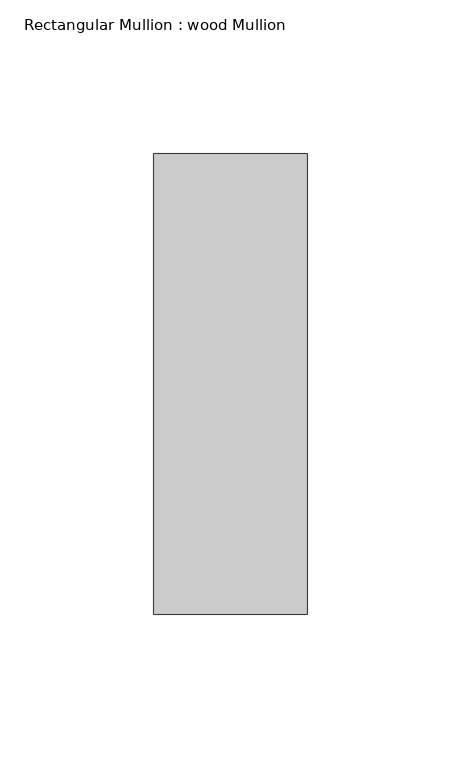
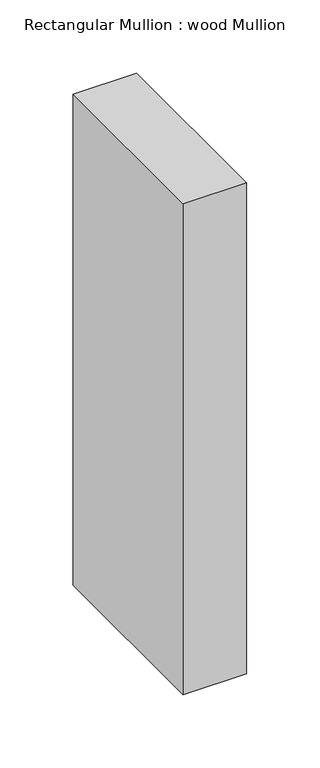
"""IFC4 building model written with IfcOpenShell, lengths in millimetres: member geometry, Rectangular Mullion : wood Mullion."""

from ifc_helpers import new_model, si_unit, frame, origin, place, context, project, spatial, polyline, outline, extrude, source, transform, mapped, element, save


def rectangular_mullion_wood_mullion_f0ec2595(model_context):
    return source(origin(), model_context, "Body", "SweptSolid", [
        extrude(outline(polyline([(25.0, 75.0), (25.0, -75.0), (-25.0, -75.0), (-25.0, 75.0), (25.0, 75.0)])), frame((0.0, 0.0, -408.4774821), z_axis=(0.0, 0.0, 1.0), x_axis=(1.0, 0.0, 0.0)), (0.0, 0.0, 1.0), 408.4774821),
    ])


if __name__ == "__main__":
    model = new_model("IFC4")
    model_context = context("Model", 3, world=origin())
    ifc_project = project(units=[si_unit("LENGTHUNIT", "METRE", prefix="MILLI")], contexts=[model_context])
    site = spatial("IfcSite", under=ifc_project)
    building = spatial("IfcBuilding", under=site)
    placement = place(None, origin())
    rectangular_mullion_wood_mullion_shape = rectangular_mullion_wood_mullion_f0ec2595(model_context)
    element("IfcMember", 1, ObjectType="Rectangular Mullion : wood Mullion", at=placement, inside=building, context=model_context, shape_type="MappedRepresentation", body=[
        mapped(rectangular_mullion_wood_mullion_shape, transform((0.0, 0.0, 0.0), x_axis=(1.0, 0.0, 0.0), y_axis=(0.0, 1.0, 0.0), z_axis=(0.0, 0.0, 1.0))),
    ])
    save(model, "model.ifc")
